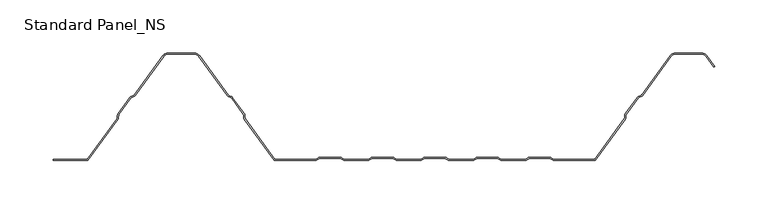
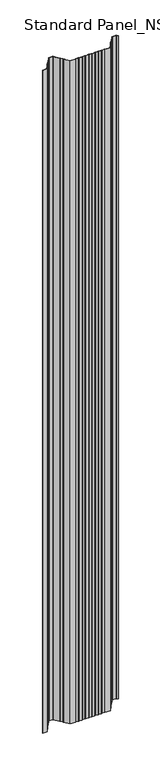
"""IFC4 building model written with IfcOpenShell, lengths in millimetres: proxy geometry, Standard Panel_NS."""

from ifc_helpers import new_model, si_unit, point, frame, frame_2d, origin, place, context, project, spatial, polyline, circle_curve, trimmed, segment, composite_curve, outline, extrude, source, transform, mapped, element, save


def standard_panel_ns_817913fa(model_context):
    return source(origin(), model_context, "Body", "SweptSolid", [
        extrude(outline(composite_curve([segment(polyline([(-265.5000002, 0.0), (-297.9999998, 0.0), (-297.9999998, 1.0), (-266.0101621, 1.0), (-238.1786697, 39.3882654)]), True, "CONTINUOUS"), segment(trimmed(circle_curve(frame_2d((-239.5943584, 40.4146398)), 1.7486049), [point((-238.1786697, 39.3882654))], [point((-237.8471041, 40.3459275))], True, "CARTESIAN"), True, "CONTINUOUS"), segment(polyline([(-237.8471041, 40.3459275), (-237.7589288, 42.5881001)]), True, "CONTINUOUS"), segment(trimmed(circle_curve(frame_2d((-235.0124468, 42.4800924)), 2.7486049), [point((-237.7589288, 42.5881001))], [point((-237.237746, 44.0934344))], False, "CARTESIAN"), True, "CONTINUOUS"), segment(polyline([(-237.237746, 44.0934344), (-226.1199169, 59.4283711)]), True, "CONTINUOUS"), segment(trimmed(circle_curve(frame_2d((-223.8946177, 57.8150291)), 2.7486049), [point((-226.1199169, 59.4283711))], [point((-224.8512575, 60.3917847))], False, "CARTESIAN"), True, "CONTINUOUS"), segment(polyline([(-224.8512575, 60.3917847), (-222.7476461, 61.1727662)]), True, "CONTINUOUS"), segment(trimmed(circle_curve(frame_2d((-223.3562403, 62.8120441)), 1.7486049), [point((-222.7476461, 61.1727662))], [point((-221.9405515, 61.7856697))], True, "CARTESIAN"), True, "CONTINUOUS"), segment(polyline([(-221.9405515, 61.7856697), (-195.3068531, 98.5218054)]), True, "CONTINUOUS"), segment(trimmed(circle_curve(frame_2d((-190.4491905, 95.0)), 6.0), [point((-195.3068531, 98.5218054))], [point((-190.4491905, 101.0))], False, "CARTESIAN"), True, "CONTINUOUS"), segment(polyline([(-190.4491905, 101.0), (-165.5508098, 101.0)]), True, "CONTINUOUS"), segment(trimmed(circle_curve(frame_2d((-165.5508098, 95.0)), 6.0), [point((-165.5508098, 101.0))], [point((-160.6931472, 98.5218054))], False, "CARTESIAN"), True, "CONTINUOUS"), segment(polyline([(-160.6931472, 98.5218054), (-134.0594488, 61.7856697)]), True, "CONTINUOUS"), segment(trimmed(circle_curve(frame_2d((-132.64376, 62.8120441)), 1.7486049), [point((-134.0594488, 61.7856697))], [point((-133.2523542, 61.1727662))], True, "CARTESIAN"), True, "CONTINUOUS"), segment(polyline([(-133.2523542, 61.1727662), (-131.1487428, 60.3917847)]), True, "CONTINUOUS"), segment(trimmed(circle_curve(frame_2d((-132.1053826, 57.8150291)), 2.7486049), [point((-131.1487428, 60.3917847))], [point((-129.8800834, 59.4283711))], False, "CARTESIAN"), True, "CONTINUOUS"), segment(polyline([(-129.8800834, 59.4283711), (-118.7622543, 44.0934344)]), True, "CONTINUOUS"), segment(trimmed(circle_curve(frame_2d((-120.9875535, 42.4800924)), 2.7486049), [point((-118.7622543, 44.0934344))], [point((-118.2410715, 42.5881001))], False, "CARTESIAN"), True, "CONTINUOUS"), segment(polyline([(-118.2410715, 42.5881001), (-118.1528962, 40.3459275)]), True, "CONTINUOUS"), segment(trimmed(circle_curve(frame_2d((-116.4056419, 40.4146398)), 1.7486049), [point((-118.1528962, 40.3459275))], [point((-117.8213306, 39.3882654))], True, "CARTESIAN"), True, "CONTINUOUS"), segment(polyline([(-117.8213306, 39.3882654), (-89.9898382, 1.0), (-52.1655441, 1.0)]), True, "CONTINUOUS"), segment(trimmed(circle_curve(frame_2d((-52.1655441, 2.7486049)), 1.7486049), [point((-52.1655441, 1.0))], [point((-51.1955926, 1.2936777))], True, "CARTESIAN"), True, "CONTINUOUS"), segment(polyline([(-51.1955926, 1.2936777), (-49.3285502, 2.5383726)]), True, "CONTINUOUS"), segment(trimmed(circle_curve(frame_2d((-47.8038985, 0.2513951)), 2.7486049), [point((-49.3285502, 2.5383726))], [point((-47.8038985, 3.0))], False, "CARTESIAN"), True, "CONTINUOUS"), segment(polyline([(-47.8038985, 3.0), (-28.8627684, 3.0)]), True, "CONTINUOUS"), segment(trimmed(circle_curve(frame_2d((-28.8627684, 0.2513951)), 2.7486049), [point((-28.8627684, 3.0))], [point((-27.3381168, 2.5383726))], False, "CARTESIAN"), True, "CONTINUOUS"), segment(polyline([(-27.3381168, 2.5383726), (-25.4710744, 1.2936777)]), True, "CONTINUOUS"), segment(trimmed(circle_curve(frame_2d((-24.5011229, 2.7486049)), 1.7486049), [point((-25.4710744, 1.2936777))], [point((-24.5011229, 1.0))], True, "CARTESIAN"), True, "CONTINUOUS"), segment(polyline([(-24.5011229, 1.0), (-2.9988774, 1.0)]), True, "CONTINUOUS"), segment(trimmed(circle_curve(frame_2d((-2.9988774, 2.7486049)), 1.7486049), [point((-2.9988774, 1.0))], [point((-2.0289259, 1.2936777))], True, "CARTESIAN"), True, "CONTINUOUS"), segment(polyline([(-2.0289259, 1.2936777), (-0.1618835, 2.5383726)]), True, "CONTINUOUS"), segment(trimmed(circle_curve(frame_2d((1.3627681, 0.2513951)), 2.7486049), [point((-0.1618835, 2.5383726))], [point((1.3627681, 3.0))], False, "CARTESIAN"), True, "CONTINUOUS"), segment(polyline([(1.3627681, 3.0), (20.3038982, 3.0)]), True, "CONTINUOUS"), segment(trimmed(circle_curve(frame_2d((20.3038982, 0.2513951)), 2.7486049), [point((20.3038982, 3.0))], [point((21.8285499, 2.5383726))], False, "CARTESIAN"), True, "CONTINUOUS"), segment(polyline([(21.8285499, 2.5383726), (23.6955923, 1.2936777)]), True, "CONTINUOUS"), segment(trimmed(circle_curve(frame_2d((24.6655438, 2.7486049)), 1.7486049), [point((23.6955923, 1.2936777))], [point((24.6655438, 1.0))], True, "CARTESIAN"), True, "CONTINUOUS"), segment(polyline([(24.6655438, 1.0), (46.1677892, 1.0)]), True, "CONTINUOUS"), segment(trimmed(circle_curve(frame_2d((46.1677892, 2.7486049)), 1.7486049), [point((46.1677892, 1.0))], [point((47.1377407, 1.2936777))], True, "CARTESIAN"), True, "CONTINUOUS"), segment(polyline([(47.1377407, 1.2936777), (49.0047831, 2.5383726)]), True, "CONTINUOUS"), segment(trimmed(circle_curve(frame_2d((50.5294348, 0.2513951)), 2.7486049), [point((49.0047831, 2.5383726))], [point((50.5294348, 3.0))], False, "CARTESIAN"), True, "CONTINUOUS"), segment(polyline([(50.5294348, 3.0), (69.4705649, 3.0)]), True, "CONTINUOUS"), segment(trimmed(circle_curve(frame_2d((69.4705649, 0.2513951)), 2.7486049), [point((69.4705649, 3.0))], [point((70.9952166, 2.5383726))], False, "CARTESIAN"), True, "CONTINUOUS"), segment(polyline([(70.9952166, 2.5383726), (72.862259, 1.2936777)]), True, "CONTINUOUS"), segment(trimmed(circle_curve(frame_2d((73.8322104, 2.7486049)), 1.7486049), [point((72.862259, 1.2936777))], [point((73.8322104, 1.0))], True, "CARTESIAN"), True, "CONTINUOUS"), segment(polyline([(73.8322104, 1.0), (95.3344559, 1.0)]), True, "CONTINUOUS"), segment(trimmed(circle_curve(frame_2d((95.3344559, 2.7486049)), 1.7486049), [point((95.3344559, 1.0))], [point((96.3044074, 1.2936777))], True, "CARTESIAN"), True, "CONTINUOUS"), segment(polyline([(96.3044074, 1.2936777), (98.1714498, 2.5383726)]), True, "CONTINUOUS"), segment(trimmed(circle_curve(frame_2d((99.6961015, 0.2513951)), 2.7486049), [point((98.1714498, 2.5383726))], [point((99.6961015, 3.0))], False, "CARTESIAN"), True, "CONTINUOUS"), segment(polyline([(99.6961015, 3.0), (118.6372316, 3.0)]), True, "CONTINUOUS"), segment(trimmed(circle_curve(frame_2d((118.6372316, 0.2513951)), 2.7486049), [point((118.6372316, 3.0))], [point((120.1618832, 2.5383726))], False, "CARTESIAN"), True, "CONTINUOUS"), segment(polyline([(120.1618832, 2.5383726), (122.0289256, 1.2936777)]), True, "CONTINUOUS"), segment(trimmed(circle_curve(frame_2d((122.9988771, 2.7486049)), 1.7486049), [point((122.0289256, 1.2936777))], [point((122.9988771, 1.0))], True, "CARTESIAN"), True, "CONTINUOUS"), segment(polyline([(122.9988771, 1.0), (144.5011226, 1.0)]), True, "CONTINUOUS"), segment(trimmed(circle_curve(frame_2d((144.5011226, 2.7486049)), 1.7486049), [point((144.5011226, 1.0))], [point((145.4710741, 1.2936777))], True, "CARTESIAN"), True, "CONTINUOUS"), segment(polyline([(145.4710741, 1.2936777), (147.3381165, 2.5383726)]), True, "CONTINUOUS"), segment(trimmed(circle_curve(frame_2d((148.8627681, 0.2513951)), 2.7486049), [point((147.3381165, 2.5383726))], [point((148.8627681, 3.0))], False, "CARTESIAN"), True, "CONTINUOUS"), segment(polyline([(148.8627681, 3.0), (167.8038982, 3.0)]), True, "CONTINUOUS"), segment(trimmed(circle_curve(frame_2d((167.8038982, 0.2513951)), 2.7486049), [point((167.8038982, 3.0))], [point((169.3285499, 2.5383726))], False, "CARTESIAN"), True, "CONTINUOUS"), segment(polyline([(169.3285499, 2.5383726), (171.1955923, 1.2936777)]), True, "CONTINUOUS"), segment(trimmed(circle_curve(frame_2d((172.1655438, 2.7486049)), 1.7486049), [point((171.1955923, 1.2936777))], [point((172.1655438, 1.0))], True, "CARTESIAN"), True, "CONTINUOUS"), segment(polyline([(172.1655438, 1.0), (209.9898379, 1.0), (237.8213303, 39.3882654)]), True, "CONTINUOUS"), segment(trimmed(circle_curve(frame_2d((236.4056416, 40.4146398)), 1.7486049), [point((237.8213303, 39.3882654))], [point((238.1528959, 40.3459275))], True, "CARTESIAN"), True, "CONTINUOUS"), segment(polyline([(238.1528959, 40.3459275), (238.2410712, 42.5881001)]), True, "CONTINUOUS"), segment(trimmed(circle_curve(frame_2d((240.9875532, 42.4800924)), 2.7486049), [point((238.2410712, 42.5881001))], [point((238.762254, 44.0934344))], False, "CARTESIAN"), True, "CONTINUOUS"), segment(polyline([(238.762254, 44.0934344), (249.8800831, 59.4283711)]), True, "CONTINUOUS"), segment(trimmed(circle_curve(frame_2d((252.1053823, 57.8150291)), 2.7486049), [point((249.8800831, 59.4283711))], [point((251.1487425, 60.3917847))], False, "CARTESIAN"), True, "CONTINUOUS"), segment(polyline([(251.1487425, 60.3917847), (253.2523539, 61.1727662)]), True, "CONTINUOUS"), segment(trimmed(circle_curve(frame_2d((252.6437597, 62.8120441)), 1.7486049), [point((253.2523539, 61.1727662))], [point((254.0594485, 61.7856697))], True, "CARTESIAN"), True, "CONTINUOUS"), segment(polyline([(254.0594485, 61.7856697), (280.6931469, 98.5218054)]), True, "CONTINUOUS"), segment(trimmed(circle_curve(frame_2d((285.5508095, 95.0)), 6.0), [point((280.6931469, 98.5218054))], [point((285.5508095, 101.0))], False, "CARTESIAN"), True, "CONTINUOUS"), segment(polyline([(285.5508095, 101.0), (310.4491902, 101.0)]), True, "CONTINUOUS"), segment(trimmed(circle_curve(frame_2d((310.4491902, 95.0)), 6.0), [point((310.4491902, 101.0))], [point((315.3068528, 98.5218054))], False, "CARTESIAN"), True, "CONTINUOUS"), segment(polyline([(315.3068528, 98.5218054), (322.6141239, 88.4428109), (321.8045134, 87.8558433), (314.4972424, 97.9348379)]), True, "CONTINUOUS"), segment(trimmed(circle_curve(frame_2d((310.4491902, 95.0)), 5.0), [point((314.4972424, 97.9348379))], [point((310.4491902, 100.0))], True, "CARTESIAN"), True, "CONTINUOUS"), segment(polyline([(310.4491902, 100.0), (285.5508095, 100.0)]), True, "CONTINUOUS"), segment(trimmed(circle_curve(frame_2d((285.5508095, 95.0)), 5.0), [point((285.5508095, 100.0))], [point((281.5027573, 97.9348379))], True, "CARTESIAN"), True, "CONTINUOUS"), segment(polyline([(281.5027573, 97.9348379), (254.8690589, 61.1987022)]), True, "CONTINUOUS"), segment(trimmed(circle_curve(frame_2d((252.6437597, 62.8120441)), 2.7486049), [point((254.8690589, 61.1987022))], [point((253.6003995, 60.2352885))], False, "CARTESIAN"), True, "CONTINUOUS"), segment(polyline([(253.6003995, 60.2352885), (251.4967881, 59.4543071)]), True, "CONTINUOUS"), segment(trimmed(circle_curve(frame_2d((252.1053823, 57.8150291)), 1.7486049), [point((251.4967881, 59.4543071))], [point((250.6896935, 58.8414035))], True, "CARTESIAN"), True, "CONTINUOUS"), segment(polyline([(250.6896935, 58.8414035), (239.5718644, 43.5064668)]), True, "CONTINUOUS"), segment(trimmed(circle_curve(frame_2d((240.9875532, 42.4800924)), 1.7486049), [point((239.5718644, 43.5064668))], [point((239.2402989, 42.5488047))], True, "CARTESIAN"), True, "CONTINUOUS"), segment(polyline([(239.2402989, 42.5488047), (239.1521235, 40.3066321)]), True, "CONTINUOUS"), segment(trimmed(circle_curve(frame_2d((236.4056416, 40.4146398)), 2.7486049), [point((239.1521235, 40.3066321))], [point((238.6309408, 38.8012978))], False, "CARTESIAN"), True, "CONTINUOUS"), segment(polyline([(238.6309408, 38.8012978), (210.4999998, 0.0), (172.1655438, 0.0)]), True, "CONTINUOUS"), segment(trimmed(circle_curve(frame_2d((172.1655438, 2.7486049)), 2.7486049), [point((172.1655438, 0.0))], [point((170.6408921, 0.4616274))], False, "CARTESIAN"), True, "CONTINUOUS"), segment(polyline([(170.6408921, 0.4616274), (168.7738497, 1.7063223)]), True, "CONTINUOUS"), segment(trimmed(circle_curve(frame_2d((167.8038982, 0.2513951)), 1.7486049), [point((168.7738497, 1.7063223))], [point((167.8038982, 2.0))], True, "CARTESIAN"), True, "CONTINUOUS"), segment(polyline([(167.8038982, 2.0), (148.8627681, 2.0)]), True, "CONTINUOUS"), segment(trimmed(circle_curve(frame_2d((148.8627681, 0.2513951)), 1.7486049), [point((148.8627681, 2.0))], [point((147.8928167, 1.7063223))], True, "CARTESIAN"), True, "CONTINUOUS"), segment(polyline([(147.8928167, 1.7063223), (146.0257743, 0.4616274)]), True, "CONTINUOUS"), segment(trimmed(circle_curve(frame_2d((144.5011226, 2.7486049)), 2.7486049), [point((146.0257743, 0.4616274))], [point((144.5011226, 0.0))], False, "CARTESIAN"), True, "CONTINUOUS"), segment(polyline([(144.5011226, 0.0), (122.9988771, 0.0)]), True, "CONTINUOUS"), segment(trimmed(circle_curve(frame_2d((122.9988771, 2.7486049)), 2.7486049), [point((122.9988771, 0.0))], [point((121.4742254, 0.4616274))], False, "CARTESIAN"), True, "CONTINUOUS"), segment(polyline([(121.4742254, 0.4616274), (119.607183, 1.7063223)]), True, "CONTINUOUS"), segment(trimmed(circle_curve(frame_2d((118.6372316, 0.2513951)), 1.7486049), [point((119.607183, 1.7063223))], [point((118.6372316, 2.0))], True, "CARTESIAN"), True, "CONTINUOUS"), segment(polyline([(118.6372316, 2.0), (99.6961015, 2.0)]), True, "CONTINUOUS"), segment(trimmed(circle_curve(frame_2d((99.6961015, 0.2513951)), 1.7486049), [point((99.6961015, 2.0))], [point((98.72615, 1.7063223))], True, "CARTESIAN"), True, "CONTINUOUS"), segment(polyline([(98.72615, 1.7063223), (96.8591076, 0.4616274)]), True, "CONTINUOUS"), segment(trimmed(circle_curve(frame_2d((95.3344559, 2.7486049)), 2.7486049), [point((96.8591076, 0.4616274))], [point((95.3344559, 0.0))], False, "CARTESIAN"), True, "CONTINUOUS"), segment(polyline([(95.3344559, 0.0), (73.8322104, 0.0)]), True, "CONTINUOUS"), segment(trimmed(circle_curve(frame_2d((73.8322104, 2.7486049)), 2.7486049), [point((73.8322104, 0.0))], [point((72.3075588, 0.4616274))], False, "CARTESIAN"), True, "CONTINUOUS"), segment(polyline([(72.3075588, 0.4616274), (70.4405164, 1.7063223)]), True, "CONTINUOUS"), segment(trimmed(circle_curve(frame_2d((69.4705649, 0.2513951)), 1.7486049), [point((70.4405164, 1.7063223))], [point((69.4705649, 2.0))], True, "CARTESIAN"), True, "CONTINUOUS"), segment(polyline([(69.4705649, 2.0), (50.5294348, 2.0)]), True, "CONTINUOUS"), segment(trimmed(circle_curve(frame_2d((50.5294348, 0.2513951)), 1.7486049), [point((50.5294348, 2.0))], [point((49.5594833, 1.7063223))], True, "CARTESIAN"), True, "CONTINUOUS"), segment(polyline([(49.5594833, 1.7063223), (47.6924409, 0.4616274)]), True, "CONTINUOUS"), segment(trimmed(circle_curve(frame_2d((46.1677892, 2.7486049)), 2.7486049), [point((47.6924409, 0.4616274))], [point((46.1677892, 0.0))], False, "CARTESIAN"), True, "CONTINUOUS"), segment(polyline([(46.1677892, 0.0), (24.6655438, 0.0)]), True, "CONTINUOUS"), segment(trimmed(circle_curve(frame_2d((24.6655438, 2.7486049)), 2.7486049), [point((24.6655438, 0.0))], [point((23.1408921, 0.4616274))], False, "CARTESIAN"), True, "CONTINUOUS"), segment(polyline([(23.1408921, 0.4616274), (21.2738497, 1.7063223)]), True, "CONTINUOUS"), segment(trimmed(circle_curve(frame_2d((20.3038982, 0.2513951)), 1.7486049), [point((21.2738497, 1.7063223))], [point((20.3038982, 2.0))], True, "CARTESIAN"), True, "CONTINUOUS"), segment(polyline([(20.3038982, 2.0), (1.3627681, 2.0)]), True, "CONTINUOUS"), segment(trimmed(circle_curve(frame_2d((1.3627681, 0.2513951)), 1.7486049), [point((1.3627681, 2.0))], [point((0.3928167, 1.7063223))], True, "CARTESIAN"), True, "CONTINUOUS"), segment(polyline([(0.3928167, 1.7063223), (-1.4742257, 0.4616274)]), True, "CONTINUOUS"), segment(trimmed(circle_curve(frame_2d((-2.9988774, 2.7486049)), 2.7486049), [point((-1.4742257, 0.4616274))], [point((-2.9988774, 0.0))], False, "CARTESIAN"), True, "CONTINUOUS"), segment(polyline([(-2.9988774, 0.0), (-24.5011229, 0.0)]), True, "CONTINUOUS"), segment(trimmed(circle_curve(frame_2d((-24.5011229, 2.7486049)), 2.7486049), [point((-24.5011229, 0.0))], [point((-26.0257746, 0.4616274))], False, "CARTESIAN"), True, "CONTINUOUS"), segment(polyline([(-26.0257746, 0.4616274), (-27.892817, 1.7063223)]), True, "CONTINUOUS"), segment(trimmed(circle_curve(frame_2d((-28.8627684, 0.2513951)), 1.7486049), [point((-27.892817, 1.7063223))], [point((-28.8627684, 2.0))], True, "CARTESIAN"), True, "CONTINUOUS"), segment(polyline([(-28.8627684, 2.0), (-47.8038985, 2.0)]), True, "CONTINUOUS"), segment(trimmed(circle_curve(frame_2d((-47.8038985, 0.2513951)), 1.7486049), [point((-47.8038985, 2.0))], [point((-48.77385, 1.7063223))], True, "CARTESIAN"), True, "CONTINUOUS"), segment(polyline([(-48.77385, 1.7063223), (-50.6408924, 0.4616274)]), True, "CONTINUOUS"), segment(trimmed(circle_curve(frame_2d((-52.1655441, 2.7486049)), 2.7486049), [point((-50.6408924, 0.4616274))], [point((-52.1655441, 0.0))], False, "CARTESIAN"), True, "CONTINUOUS"), segment(polyline([(-52.1655441, 0.0), (-90.5000002, 0.0), (-118.6309411, 38.8012978)]), True, "CONTINUOUS"), segment(trimmed(circle_curve(frame_2d((-116.4056419, 40.4146398)), 2.7486049), [point((-118.6309411, 38.8012978))], [point((-119.1521238, 40.3066321))], False, "CARTESIAN"), True, "CONTINUOUS"), segment(polyline([(-119.1521238, 40.3066321), (-119.2402992, 42.5488047)]), True, "CONTINUOUS"), segment(trimmed(circle_curve(frame_2d((-120.9875535, 42.4800924)), 1.7486049), [point((-119.2402992, 42.5488047))], [point((-119.5718647, 43.5064668))], True, "CARTESIAN"), True, "CONTINUOUS"), segment(polyline([(-119.5718647, 43.5064668), (-130.6896938, 58.8414035)]), True, "CONTINUOUS"), segment(trimmed(circle_curve(frame_2d((-132.1053826, 57.8150291)), 1.7486049), [point((-130.6896938, 58.8414035))], [point((-131.4967884, 59.4543071))], True, "CARTESIAN"), True, "CONTINUOUS"), segment(polyline([(-131.4967884, 59.4543071), (-133.6003998, 60.2352885)]), True, "CONTINUOUS"), segment(trimmed(circle_curve(frame_2d((-132.64376, 62.8120441)), 2.7486049), [point((-133.6003998, 60.2352885))], [point((-134.8690592, 61.1987022))], False, "CARTESIAN"), True, "CONTINUOUS"), segment(polyline([(-134.8690592, 61.1987022), (-161.5027576, 97.9348379)]), True, "CONTINUOUS"), segment(trimmed(circle_curve(frame_2d((-165.5508098, 95.0)), 5.0), [point((-161.5027576, 97.9348379))], [point((-165.5508098, 100.0))], True, "CARTESIAN"), True, "CONTINUOUS"), segment(polyline([(-165.5508098, 100.0), (-190.4491905, 100.0)]), True, "CONTINUOUS"), segment(trimmed(circle_curve(frame_2d((-190.4491905, 95.0)), 5.0), [point((-190.4491905, 100.0))], [point((-194.4972427, 97.9348379))], True, "CARTESIAN"), True, "CONTINUOUS"), segment(polyline([(-194.4972427, 97.9348379), (-221.1309411, 61.1987022)]), True, "CONTINUOUS"), segment(trimmed(circle_curve(frame_2d((-223.3562403, 62.8120441)), 2.7486049), [point((-221.1309411, 61.1987022))], [point((-222.3996005, 60.2352885))], False, "CARTESIAN"), True, "CONTINUOUS"), segment(polyline([(-222.3996005, 60.2352885), (-224.5032119, 59.4543071)]), True, "CONTINUOUS"), segment(trimmed(circle_curve(frame_2d((-223.8946177, 57.8150291)), 1.7486049), [point((-224.5032119, 59.4543071))], [point((-225.3103065, 58.8414035))], True, "CARTESIAN"), True, "CONTINUOUS"), segment(polyline([(-225.3103065, 58.8414035), (-236.4281356, 43.5064668)]), True, "CONTINUOUS"), segment(trimmed(circle_curve(frame_2d((-235.0124468, 42.4800924)), 1.7486049), [point((-236.4281356, 43.5064668))], [point((-236.7597011, 42.5488047))], True, "CARTESIAN"), True, "CONTINUOUS"), segment(polyline([(-236.7597011, 42.5488047), (-236.8478765, 40.3066321)]), True, "CONTINUOUS"), segment(trimmed(circle_curve(frame_2d((-239.5943584, 40.4146398)), 2.7486049), [point((-236.8478765, 40.3066321))], [point((-237.3690592, 38.8012978))], False, "CARTESIAN"), True, "CONTINUOUS"), segment(polyline([(-237.3690592, 38.8012978), (-265.5000002, 0.0)]), True, "CONTINUOUS")], self_intersect=False)), frame((0.0, 0.0, -250.0), z_axis=(0.0, 0.0, 1.0), x_axis=(1.0, 0.0, 0.0)), (0.0, 0.0, 1.0), 5250.0),
    ])


if __name__ == "__main__":
    model = new_model("IFC4")
    model_context = context("Model", 3, world=origin())
    ifc_project = project(units=[si_unit("LENGTHUNIT", "METRE", prefix="MILLI")], contexts=[model_context])
    site = spatial("IfcSite", under=ifc_project)
    building = spatial("IfcBuilding", under=site)
    placement = place(None, origin())
    standard_panel_ns_shape = standard_panel_ns_817913fa(model_context)
    element("IfcBuildingElementProxy", 1, Name="Standard Panel_NS", ObjectType="Standard Panel_NS", at=placement, inside=building, context=model_context, shape_type="MappedRepresentation", body=[
        mapped(standard_panel_ns_shape, transform((0.0, 0.0, 0.0), x_axis=(1.0, 0.0, 0.0), y_axis=(0.0, 1.0, 0.0), z_axis=(0.0, 0.0, 1.0))),
    ])
    save(model, "model.ifc")
